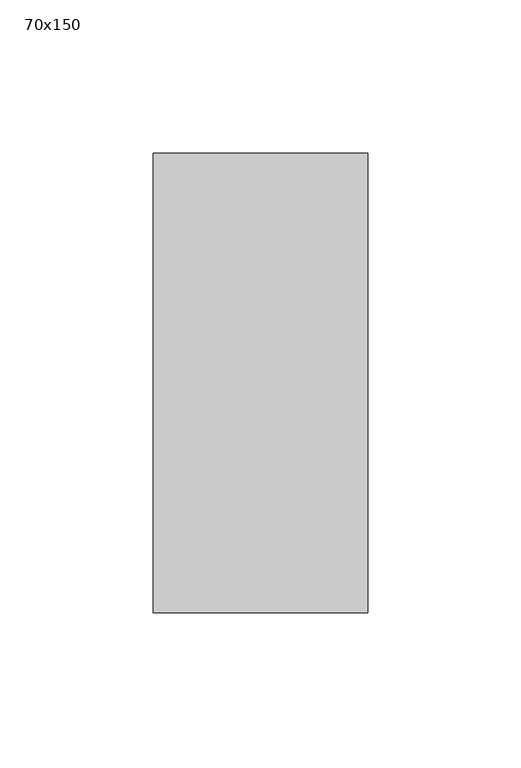
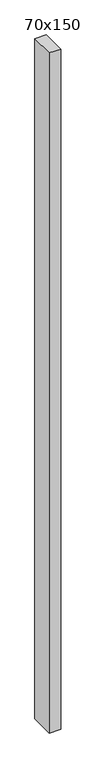
"""IFC4 building model written with IfcOpenShell, lengths in millimetres: member geometry, 70x150."""

from ifc_helpers import new_model, si_unit, frame, origin, place, context, project, spatial, polyline, outline, extrude, source, transform, mapped, element, save


def member_70x150_196fadc4(model_context):
    return source(origin(), model_context, "Body", "SweptSolid", [
        extrude(outline(polyline([(35.0, 75.0), (35.0, -75.0), (-35.0, -75.0), (-35.0, 75.0), (35.0, 75.0)])), frame((0.0, 0.0, -4378.3333333), z_axis=(0.0, 0.0, 1.0), x_axis=(1.0, 0.0, 0.0)), (0.0, 0.0, 1.0), 4378.3333333),
    ])


if __name__ == "__main__":
    model = new_model("IFC4")
    model_context = context("Model", 3, world=origin())
    ifc_project = project(units=[si_unit("LENGTHUNIT", "METRE", prefix="MILLI")], contexts=[model_context])
    site = spatial("IfcSite", under=ifc_project)
    building = spatial("IfcBuilding", under=site)
    placement = place(None, origin())
    member_70x150_shape = member_70x150_196fadc4(model_context)
    element("IfcMember", 1, ObjectType="70x150", at=placement, inside=building, context=model_context, shape_type="MappedRepresentation", body=[
        mapped(member_70x150_shape, transform((0.0, 0.0, 0.0), x_axis=(1.0, 0.0, 0.0), y_axis=(0.0, 1.0, 0.0), z_axis=(0.0, 0.0, 1.0))),
    ])
    save(model, "model.ifc")
